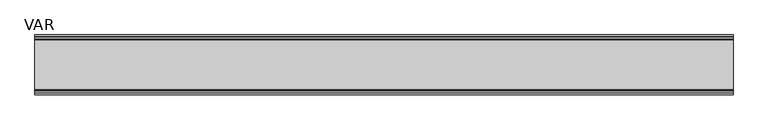
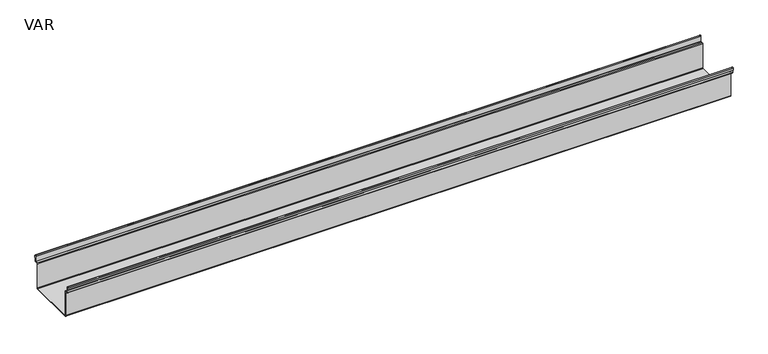
"""IFC4 building model written with IfcOpenShell, lengths in millimetres: sanitary terminal geometry, VAR."""

from ifc_helpers import new_model, si_unit, point, frame, frame_2d, origin, place, context, project, spatial, polyline, circle_curve, trimmed, segment, composite_curve, outline, extrude, source, transform, mapped, element, save


def var_6e7cbf21(model_context):
    return source(origin(), model_context, "Body", "SweptSolid", [
        extrude(outline(composite_curve([segment(polyline([(128.5, -12.0), (126.4864263, -12.0), (126.4864263, -3.25)]), True, "CONTINUOUS"), segment(trimmed(circle_curve(frame_2d((125.5, -3.25)), 0.9864263), [point((126.4864263, -3.25))], [point((124.5135737, -3.25))], True, "CARTESIAN"), True, "CONTINUOUS"), segment(polyline([(124.5135737, -3.25), (124.5135737, -27.0)]), True, "CONTINUOUS"), segment(trimmed(circle_curve(frame_2d((121.5, -27.0)), 3.0135737), [point((124.5135737, -27.0))], [point((121.5, -30.0135737))], False, "CARTESIAN"), True, "CONTINUOUS"), segment(polyline([(121.5, -30.0135737), (111.5135737, -30.0135737)]), True, "CONTINUOUS"), segment(trimmed(circle_curve(frame_2d((111.5135737, -31.0)), 0.9864263), [point((111.5135737, -30.0135737))], [point((110.5271474, -31.0))], True, "CARTESIAN"), True, "CONTINUOUS"), segment(polyline([(110.5271474, -31.0), (110.5271474, -144.9864263)]), True, "CONTINUOUS"), segment(trimmed(circle_curve(frame_2d((105.5135737, -144.9864263)), 5.0135737), [point((110.5271474, -144.9864263))], [point((105.5135737, -150.0))], False, "CARTESIAN"), True, "CONTINUOUS"), segment(polyline([(105.5135737, -150.0), (-105.5135737, -150.0)]), True, "CONTINUOUS"), segment(trimmed(circle_curve(frame_2d((-105.5135737, -144.9864263)), 5.0135737), [point((-105.5135737, -150.0))], [point((-110.5271474, -144.9864263))], False, "CARTESIAN"), True, "CONTINUOUS"), segment(polyline([(-110.5271474, -144.9864263), (-110.5271474, -31.0)]), True, "CONTINUOUS"), segment(trimmed(circle_curve(frame_2d((-111.5135737, -31.0)), 0.9864263), [point((-110.5271474, -31.0))], [point((-111.5135737, -30.0135737))], True, "CARTESIAN"), True, "CONTINUOUS"), segment(polyline([(-111.5135737, -30.0135737), (-121.5, -30.0135737)]), True, "CONTINUOUS"), segment(trimmed(circle_curve(frame_2d((-121.5, -27.0)), 3.0135737), [point((-121.5, -30.0135737))], [point((-124.5135737, -27.0))], False, "CARTESIAN"), True, "CONTINUOUS"), segment(polyline([(-124.5135737, -27.0), (-124.5135737, -3.2587939)]), True, "CONTINUOUS"), segment(trimmed(circle_curve(frame_2d((-125.5, -3.2587939)), 0.9864263), [point((-124.5135737, -3.2587939))], [point((-126.4864263, -3.2587939))], True, "CARTESIAN"), True, "CONTINUOUS"), segment(polyline([(-126.4864263, -3.2587939), (-126.4864263, -12.0), (-128.5, -12.0), (-128.5, -3.2587939)]), True, "CONTINUOUS"), segment(trimmed(circle_curve(frame_2d((-125.5, -3.2587939)), 3.0), [point((-128.5, -3.2587939))], [point((-122.5, -3.2587939))], False, "CARTESIAN"), True, "CONTINUOUS"), segment(polyline([(-122.5, -3.2587939), (-122.5, -27.0)]), True, "CONTINUOUS"), segment(trimmed(circle_curve(frame_2d((-121.5, -27.0)), 1.0), [point((-122.5, -27.0))], [point((-121.5, -28.0))], True, "CARTESIAN"), True, "CONTINUOUS"), segment(polyline([(-121.5, -28.0), (-111.5135737, -28.0)]), True, "CONTINUOUS"), segment(trimmed(circle_curve(frame_2d((-111.5135737, -31.0)), 3.0), [point((-111.5135737, -28.0))], [point((-108.5135737, -31.0))], False, "CARTESIAN"), True, "CONTINUOUS"), segment(polyline([(-108.5135737, -31.0), (-108.5135737, -144.9864263)]), True, "CONTINUOUS"), segment(trimmed(circle_curve(frame_2d((-105.5135737, -144.9864263)), 3.0), [point((-108.5135737, -144.9864263))], [point((-105.5135737, -147.9864263))], True, "CARTESIAN"), True, "CONTINUOUS"), segment(polyline([(-105.5135737, -147.9864263), (105.5135737, -147.9864263)]), True, "CONTINUOUS"), segment(trimmed(circle_curve(frame_2d((105.5135737, -144.9864263)), 3.0), [point((105.5135737, -147.9864263))], [point((108.5135737, -144.9864263))], True, "CARTESIAN"), True, "CONTINUOUS"), segment(polyline([(108.5135737, -144.9864263), (108.5135737, -31.0)]), True, "CONTINUOUS"), segment(trimmed(circle_curve(frame_2d((111.5135737, -31.0)), 3.0), [point((108.5135737, -31.0))], [point((111.5135737, -28.0))], False, "CARTESIAN"), True, "CONTINUOUS"), segment(polyline([(111.5135737, -28.0), (121.5, -28.0)]), True, "CONTINUOUS"), segment(trimmed(circle_curve(frame_2d((121.5, -27.0)), 1.0), [point((121.5, -28.0))], [point((122.5, -27.0))], True, "CARTESIAN"), True, "CONTINUOUS"), segment(polyline([(122.5, -27.0), (122.5, -3.25)]), True, "CONTINUOUS"), segment(trimmed(circle_curve(frame_2d((125.5, -3.25)), 3.0), [point((122.5, -3.25))], [point((128.5, -3.25))], False, "CARTESIAN"), True, "CONTINUOUS"), segment(polyline([(128.5, -3.25), (128.5, -12.0)]), True, "CONTINUOUS")], self_intersect=False)), frame((0.0, 0.0, 0.0), z_axis=(1.0, 0.0, 0.0), x_axis=(0.0, 1.0, 0.0)), (0.0, 0.0, 1.0), 3000.0),
    ])


if __name__ == "__main__":
    model = new_model("IFC4")
    model_context = context("Model", 3, world=origin())
    ifc_project = project(units=[si_unit("LENGTHUNIT", "METRE", prefix="MILLI")], contexts=[model_context])
    site = spatial("IfcSite", under=ifc_project)
    building = spatial("IfcBuilding", under=site)
    placement = place(None, origin())
    var_shape = var_6e7cbf21(model_context)
    element("IfcSanitaryTerminal", 1, ObjectType="VAR", at=placement, inside=building, context=model_context, shape_type="MappedRepresentation", body=[
        mapped(var_shape, transform((0.0, 0.0, 0.0), x_axis=(1.0, 0.0, 0.0), y_axis=(0.0, 1.0, 0.0), z_axis=(0.0, 0.0, 1.0))),
    ])
    save(model, "model.ifc")
